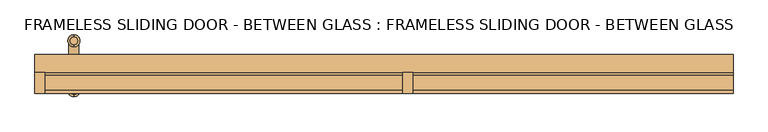
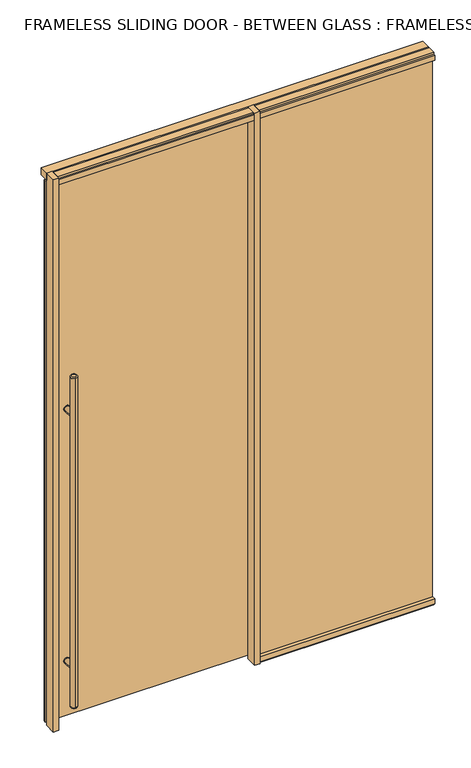
"""IFC4 building model written with IfcOpenShell, lengths in millimetres: door geometry, FRAMELESS SLIDING DOOR - BETWEEN GLASS : FRAMELESS SLIDING DOOR - BETWEEN GLASS."""

from ifc_helpers import new_model, si_unit, point, frame, frame_2d, origin, origin_with_axes, place, context, project, spatial, polyline, circle_curve, ellipse_curve, trimmed, segment, composite_curve, outline, extrude, source, transform, mapped, element, save
from ifc_brep_helpers import plane_surface, cylinder_surface, revolved_surface, advanced_brep


def frameless_sliding_door_between_glass_frameless_sliding_door_7481da35(model_context):
    return source(origin(), model_context, "Body", "SolidModel", [
        extrude(outline(composite_curve([segment(trimmed(circle_curve(frame_2d((312.7375, -885.825)), 15.875), [point((312.7375, -901.7))], [point((312.7375, -869.95))], False, "CARTESIAN"), True, "CONTINUOUS"), segment(trimmed(circle_curve(frame_2d((312.7375, -885.825)), 15.875), [point((312.7375, -869.95))], [point((312.7375, -901.7))], False, "CARTESIAN"), True, "CONTINUOUS")], self_intersect=False)), frame((0.0, 39.6875, 0.0), z_axis=(0.0, 1.0, 0.0), x_axis=(0.0, 0.0, 1.0)), (0.0, 0.0, 1.0), 3.175),
        extrude(outline(composite_curve([segment(trimmed(circle_curve(frame_2d((1703.3875, -885.825)), 15.875), [point((1703.3875, -869.95))], [point((1703.3875, -901.7))], False, "CARTESIAN"), True, "CONTINUOUS"), segment(trimmed(circle_curve(frame_2d((1703.3875, -885.825)), 15.875), [point((1703.3875, -901.7))], [point((1703.3875, -869.95))], False, "CARTESIAN"), True, "CONTINUOUS")], self_intersect=False)), frame((0.0, 39.6875, 0.0), z_axis=(0.0, 1.0, 0.0), x_axis=(0.0, 0.0, 1.0)), (0.0, 0.0, 1.0), 3.175),
        extrude(outline(composite_curve([segment(trimmed(circle_curve(frame_2d((312.7375, -885.825)), 15.875), [point((312.7375, -901.7))], [point((312.7375, -869.95))], False, "CARTESIAN"), True, "CONTINUOUS"), segment(trimmed(circle_curve(frame_2d((312.7375, -885.825)), 15.875), [point((312.7375, -869.95))], [point((312.7375, -901.7))], False, "CARTESIAN"), True, "CONTINUOUS")], self_intersect=False)), frame((0.0, 55.5625, 0.0), z_axis=(0.0, 1.0, 0.0), x_axis=(0.0, 0.0, 1.0)), (0.0, 0.0, 1.0), 3.175),
        extrude(outline(composite_curve([segment(trimmed(circle_curve(frame_2d((1703.3875, -885.825)), 15.875), [point((1703.3875, -901.7))], [point((1703.3875, -869.95))], False, "CARTESIAN"), True, "CONTINUOUS"), segment(trimmed(circle_curve(frame_2d((1703.3875, -885.825)), 15.875), [point((1703.3875, -869.95))], [point((1703.3875, -901.7))], False, "CARTESIAN"), True, "CONTINUOUS")], self_intersect=False)), frame((0.0, 55.5625, 0.0), z_axis=(0.0, 1.0, 0.0), x_axis=(0.0, 0.0, 1.0)), (0.0, 0.0, 1.0), 3.175),
        extrude(outline(composite_curve([segment(trimmed(circle_curve(frame_2d((312.7375, -885.825)), 14.2875), [point((312.7375, -871.5375))], [point((312.7375, -900.1125))], False, "CARTESIAN"), True, "CONTINUOUS"), segment(trimmed(circle_curve(frame_2d((312.7375, -885.825)), 14.2875), [point((312.7375, -900.1125))], [point((312.7375, -871.5375))], False, "CARTESIAN"), True, "CONTINUOUS")], self_intersect=False)), frame((0.0, 55.5625, 0.0), z_axis=(0.0, 1.0, 0.0), x_axis=(0.0, 0.0, 1.0)), (0.0, 0.0, 1.0), 65.0875),
        extrude(outline(composite_curve([segment(trimmed(circle_curve(frame_2d((1703.3875, -885.825)), 14.2875), [point((1703.3875, -871.5375))], [point((1703.3875, -900.1125))], False, "CARTESIAN"), True, "CONTINUOUS"), segment(trimmed(circle_curve(frame_2d((1703.3875, -885.825)), 14.2875), [point((1703.3875, -900.1125))], [point((1703.3875, -871.5375))], False, "CARTESIAN"), True, "CONTINUOUS")], self_intersect=False)), frame((0.0, 55.5625, 0.0), z_axis=(0.0, 1.0, 0.0), x_axis=(0.0, 0.0, 1.0)), (0.0, 0.0, 1.0), 65.0875),
        advanced_brep(
        [(-885.825, -11.43, 1924.05), (-885.825, -33.02, 1924.05), (-885.825, -33.02, 95.25), (-885.825, -11.43, 95.25), (-885.825, -39.37, 101.6), (-885.825, -5.08, 101.6), (-885.825, -5.08, 1917.7), (-885.825, -39.37, 1917.7)],
        [
            (0, 1, circle_curve(frame((-885.825, -22.225, 1924.05), z_axis=(0.0, 0.0, 1.0), x_axis=(0.0, 1.0, 0.0)), 10.795)),
            (1, 0, circle_curve(frame((-885.825, -22.225, 1924.05), z_axis=(0.0, 0.0, 1.0), x_axis=(0.0, 1.0, 0.0)), 10.795)),
            (2, 3, circle_curve(frame((-885.825, -22.225, 95.25), z_axis=(0.0, 0.0, -1.0), x_axis=(0.0, 1.0, 0.0)), 10.795)),
            (3, 2, circle_curve(frame((-885.825, -22.225, 95.25), z_axis=(0.0, 0.0, -1.0), x_axis=(0.0, 1.0, 0.0)), 10.795)),
            (4, 5, circle_curve(frame((-885.825, -22.225, 101.6), z_axis=(0.0, 0.0, 1.0), x_axis=(0.0, 1.0, 0.0)), 17.145)),
            (5, 6),
            (6, 7, circle_curve(frame((-885.825, -22.225, 1917.7), z_axis=(0.0, 0.0, -1.0), x_axis=(0.0, 1.0, 0.0)), 17.145)),
            (7, 4),
            (5, 4, circle_curve(frame((-885.825, -22.225, 101.6), z_axis=(0.0, 0.0, 1.0), x_axis=(0.0, 1.0, 0.0)), 17.145)),
            (7, 6, circle_curve(frame((-885.825, -22.225, 1917.7), z_axis=(0.0, 0.0, -1.0), x_axis=(0.0, 1.0, 0.0)), 17.145)),
            (2, 4, circle_curve(frame((-885.825, -33.02, 101.6), z_axis=(-1.0, 0.0, 0.0), x_axis=(0.0, -1.0, 0.0)), 6.35)),
            (5, 3, circle_curve(frame((-885.825, -11.43, 101.6), z_axis=(-1.0, 0.0, 0.0), x_axis=(0.0, 1.0, 0.0)), 6.35)),
            (7, 1, circle_curve(frame((-885.825, -33.02, 1917.7), z_axis=(-1.0, 0.0, 0.0), x_axis=(0.0, -1.0, 0.0)), 6.35)),
            (0, 6, circle_curve(frame((-885.825, -11.43, 1917.7), z_axis=(-1.0, 0.0, 0.0), x_axis=(0.0, 1.0, 0.0)), 6.35)),
        ],
        [
            plane_surface(frame((-885.825, 137.795, 1924.05), z_axis=(0.0, 0.0, 1.0), x_axis=(-1.0, 0.0, 0.0))),
            plane_surface(frame((-885.825, 137.795, 95.25), z_axis=(0.0, 0.0, -1.0), x_axis=(1.0, 0.0, 0.0))),
            cylinder_surface(frame((-885.825, -22.225, 95.25), z_axis=(0.0, 0.0, 1.0), x_axis=(0.0, 1.0, 0.0)), 17.145),
            revolved_surface(trimmed(ellipse_curve(frame((-885.825, -11.43, 101.6), z_axis=(1.0, 0.0, 0.0), x_axis=(0.0, 1.0, 0.0)), 6.35, 6.35), [point((-885.825, -11.43, 95.25))], [point((-885.825, -5.08, 101.6))], True, "CARTESIAN"), (-885.825, -22.225, 2533.65), (0.0, 0.0, 1.0)),
            revolved_surface(trimmed(ellipse_curve(frame((-885.825, -11.43, 1917.7), z_axis=(1.0, 0.0, 0.0), x_axis=(0.0, 1.0, 0.0)), 6.35, 6.35), [point((-885.825, -5.08, 1917.7))], [point((-885.825, -11.43, 1924.05))], True, "CARTESIAN"), (-885.825, -22.225, -514.35), (0.0, 0.0, 1.0)),
        ],
        [
            (0, [[1, 2]]),
            (1, [[3, 4]]),
            (2, [[5, 6, 7, 8]]),
            (2, [[9, -8, 10, -6]]),
            (3, [[11, -9, 12, -3]]),
            (3, [[-11, -4, -12, -5]]),
            (4, [[13, -1, 14, -10]]),
            (4, [[-13, -7, -14, -2]]),
        ],
    ),
        advanced_brep(
        [(-885.825, 131.445, 1924.05), (-885.825, 109.855, 1924.05), (-885.825, 109.855, 95.25), (-885.825, 131.445, 95.25), (-885.825, 103.505, 101.6), (-885.825, 137.795, 101.6), (-885.825, 137.795, 1917.7), (-885.825, 103.505, 1917.7)],
        [
            (0, 1, circle_curve(frame((-885.825, 120.65, 1924.05), z_axis=(0.0, 0.0, 1.0), x_axis=(0.0, -1.0, 0.0)), 10.795)),
            (1, 0, circle_curve(frame((-885.825, 120.65, 1924.05), z_axis=(0.0, 0.0, 1.0), x_axis=(0.0, -1.0, 0.0)), 10.795)),
            (2, 3, circle_curve(frame((-885.825, 120.65, 95.25), z_axis=(0.0, 0.0, -1.0), x_axis=(0.0, -1.0, 0.0)), 10.795)),
            (3, 2, circle_curve(frame((-885.825, 120.65, 95.25), z_axis=(0.0, 0.0, -1.0), x_axis=(0.0, -1.0, 0.0)), 10.795)),
            (4, 5, circle_curve(frame((-885.825, 120.65, 101.6), z_axis=(0.0, 0.0, 1.0), x_axis=(0.0, 1.0, 0.0)), 17.145)),
            (5, 6),
            (6, 7, circle_curve(frame((-885.825, 120.65, 1917.7), z_axis=(0.0, 0.0, -1.0), x_axis=(0.0, 1.0, 0.0)), 17.145)),
            (7, 4),
            (5, 4, circle_curve(frame((-885.825, 120.65, 101.6), z_axis=(0.0, 0.0, 1.0), x_axis=(0.0, 1.0, 0.0)), 17.145)),
            (7, 6, circle_curve(frame((-885.825, 120.65, 1917.7), z_axis=(0.0, 0.0, -1.0), x_axis=(0.0, 1.0, 0.0)), 17.145)),
            (5, 3, circle_curve(frame((-885.825, 131.445, 101.6), z_axis=(-1.0, 0.0, 0.0), x_axis=(0.0, 1.0, 0.0)), 6.35)),
            (2, 4, circle_curve(frame((-885.825, 109.855, 101.6), z_axis=(-1.0, 0.0, 0.0), x_axis=(0.0, -1.0, 0.0)), 6.35)),
            (0, 6, circle_curve(frame((-885.825, 131.445, 1917.7), z_axis=(-1.0, 0.0, 0.0), x_axis=(0.0, 1.0, 0.0)), 6.35)),
            (7, 1, circle_curve(frame((-885.825, 109.855, 1917.7), z_axis=(-1.0, 0.0, 0.0), x_axis=(0.0, -1.0, 0.0)), 6.35)),
        ],
        [
            plane_surface(frame((-885.825, 137.795, 1924.05), z_axis=(0.0, 0.0, 1.0), x_axis=(-1.0, 0.0, 0.0))),
            plane_surface(frame((-885.825, 137.795, 95.25), z_axis=(0.0, 0.0, -1.0), x_axis=(1.0, 0.0, 0.0))),
            cylinder_surface(frame((-885.825, 120.65, 95.25), z_axis=(0.0, 0.0, 1.0), x_axis=(0.0, 1.0, 0.0)), 17.145),
            revolved_surface(trimmed(ellipse_curve(frame((-885.825, 109.855, 101.6), z_axis=(1.0, 0.0, 0.0), x_axis=(0.0, -1.0, 0.0)), 6.35, 6.35), [point((-885.825, 103.505, 101.6))], [point((-885.825, 109.855, 95.25))], True, "CARTESIAN"), (-885.825, 120.65, 2533.65), (0.0, 0.0, -1.0)),
            revolved_surface(trimmed(ellipse_curve(frame((-885.825, 109.855, 1917.7), z_axis=(1.0, 0.0, 0.0), x_axis=(0.0, -1.0, 0.0)), 6.35, 6.35), [point((-885.825, 109.855, 1924.05))], [point((-885.825, 103.505, 1917.7))], True, "CARTESIAN"), (-885.825, 120.65, -514.35), (0.0, 0.0, -1.0)),
        ],
        [
            (0, [[1, 2]]),
            (1, [[3, 4]]),
            (2, [[5, 6, 7, 8]]),
            (2, [[9, -8, 10, -6]]),
            (3, [[11, -3, 12, -9]]),
            (3, [[-11, -5, -12, -4]]),
            (4, [[13, -10, 14, -1]]),
            (4, [[-13, -2, -14, -7]]),
        ],
    ),
        extrude(outline(composite_curve([segment(trimmed(circle_curve(frame_2d((312.7375, -885.825)), 14.2875), [point((312.7375, -871.5375))], [point((312.7375, -900.1125))], False, "CARTESIAN"), True, "CONTINUOUS"), segment(trimmed(circle_curve(frame_2d((312.7375, -885.825)), 14.2875), [point((312.7375, -900.1125))], [point((312.7375, -871.5375))], False, "CARTESIAN"), True, "CONTINUOUS")], self_intersect=False)), frame((0.0, -22.225, 0.0), z_axis=(0.0, 1.0, 0.0), x_axis=(0.0, 0.0, 1.0)), (0.0, 0.0, 1.0), 65.0875),
        extrude(outline(composite_curve([segment(trimmed(circle_curve(frame_2d((1703.3875, -885.825)), 14.2875), [point((1703.3875, -871.5375))], [point((1703.3875, -900.1125))], False, "CARTESIAN"), True, "CONTINUOUS"), segment(trimmed(circle_curve(frame_2d((1703.3875, -885.825)), 14.2875), [point((1703.3875, -900.1125))], [point((1703.3875, -871.5375))], False, "CARTESIAN"), True, "CONTINUOUS")], self_intersect=False)), frame((0.0, -22.225, 0.0), z_axis=(0.0, 1.0, 0.0), x_axis=(0.0, 0.0, 1.0)), (0.0, 0.0, 1.0), 65.0875),
        extrude(outline(polyline([(996.95, 6.35), (996.95, -6.35), (82.5231001, -6.35), (82.5231001, 6.35), (996.95, 6.35)])), frame((0.0, 0.0, 3.175), z_axis=(0.0, 0.0, 1.0), x_axis=(1.0, 0.0, 0.0)), (0.0, 0.0, 1.0), 3041.65),
        extrude(outline(polyline([(82.5231001, 30.1625), (82.5231001, -30.1625), (53.9481001, -30.1625), (53.9481001, 30.1625), (82.5231001, 30.1625)])), origin_with_axes(), (0.0, 0.0, 1.0), 3048.0),
        extrude(outline(polyline([(-968.375, 30.1625), (-968.375, -30.1625), (-996.95, -30.1625), (-996.95, 30.1625), (-968.375, 30.1625)])), origin_with_axes(), (0.0, 0.0, 1.0), 3048.0),
        extrude(outline(polyline([(82.5231001, 55.5625), (82.5231001, 42.8625), (-996.95, 42.8625), (-996.95, 55.5625), (82.5231001, 55.5625)])), frame((0.0, 0.0, 9.525), z_axis=(0.0, 0.0, 1.0), x_axis=(1.0, 0.0, 0.0)), (0.0, 0.0, 1.0), 2987.675),
        extrude(outline(polyline([(20.6375, 3048.0), (20.6375, 3038.475), (30.1625, 3038.475), (30.1625, 3009.9), (11.1125, 3009.9), (11.1125, 3044.825), (-11.1125, 3044.825), (-11.1125, 3009.9), (-30.1625, 3009.9), (-30.1625, 3038.475), (-20.6375, 3038.475), (-20.6375, 3048.0), (20.6375, 3048.0)])), frame((-968.375, 0.0, 0.0), z_axis=(1.0, 0.0, 0.0), x_axis=(0.0, 1.0, 0.0)), (0.0, 0.0, 1.0), 1022.3231001),
        extrude(outline(polyline([(996.95, 80.9625), (996.95, 30.1625), (-996.95, 30.1625), (-996.95, 80.9625), (996.95, 80.9625)])), frame((0.0, 0.0, 3009.9), z_axis=(0.0, 0.0, 1.0), x_axis=(1.0, 0.0, 0.0)), (0.0, 0.0, 1.0), 38.1),
        extrude(outline(polyline([(30.1625, 9.525), (20.6375, 9.525), (20.6375, 0.0), (-20.6375, 0.0), (-20.6375, 9.525), (-30.1625, 9.525), (-30.1625, 38.1), (-11.1125, 38.1), (-11.1125, 3.175), (11.1125, 3.175), (11.1125, 38.1), (30.1625, 38.1), (30.1625, 9.525)])), frame((82.5231001, 0.0, 0.0), z_axis=(1.0, 0.0, 0.0), x_axis=(0.0, 1.0, 0.0)), (0.0, 0.0, 1.0), 914.4268999),
        extrude(outline(polyline([(30.1625, 3038.475), (30.1625, 3009.9), (11.1125, 3009.9), (11.1125, 3044.825), (-11.1125, 3044.825), (-11.1125, 3009.9), (-30.1625, 3009.9), (-30.1625, 3038.475), (-20.6375, 3038.475), (-20.6375, 3048.0), (20.6375, 3048.0), (20.6375, 3038.475), (30.1625, 3038.475)])), frame((82.5231001, 0.0, 0.0), z_axis=(1.0, 0.0, 0.0), x_axis=(0.0, 1.0, 0.0)), (0.0, 0.0, 1.0), 914.4268999),
    ])


if __name__ == "__main__":
    model = new_model("IFC4")
    model_context = context("Model", 3, world=origin())
    ifc_project = project(units=[si_unit("LENGTHUNIT", "METRE", prefix="MILLI")], contexts=[model_context])
    site = spatial("IfcSite", under=ifc_project)
    building = spatial("IfcBuilding", under=site)
    placement = place(None, origin())
    frameless_sliding_door_between_glass_frameless_sliding_door_shape = frameless_sliding_door_between_glass_frameless_sliding_door_7481da35(model_context)
    element("IfcDoor", 1, ObjectType="FRAMELESS SLIDING DOOR - BETWEEN GLASS : FRAMELESS SLIDING DOOR - BETWEEN GLASS", at=placement, inside=building, context=model_context, shape_type="MappedRepresentation", body=[
        mapped(frameless_sliding_door_between_glass_frameless_sliding_door_shape, transform((0.0, 0.0, 0.0), x_axis=(1.0, 0.0, 0.0), y_axis=(0.0, 1.0, 0.0), z_axis=(0.0, 0.0, 1.0))),
    ])
    save(model, "model.ifc")
